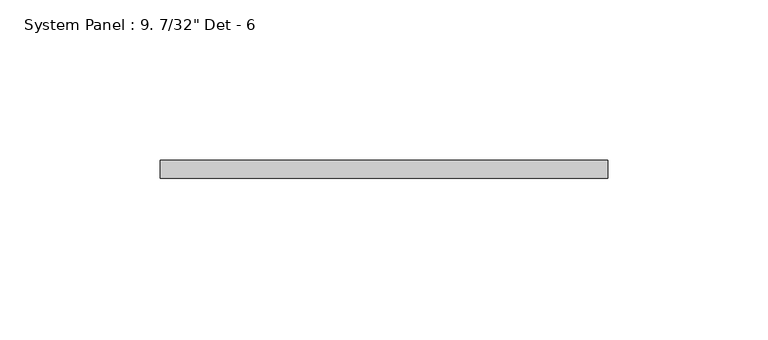
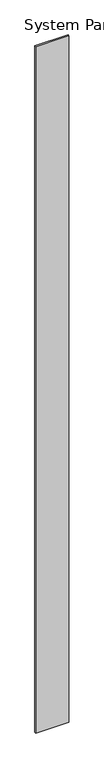
"""IFC4 building model written with IfcOpenShell, lengths in millimetres: plate geometry."""

import ifcopenshell
import ifcopenshell.guid

model = None  # the IFC model being written
_history = None  # IfcOwnerHistory: only IFC2X3 demands one
_inside = {}  # id of a spatial element -> (the spatial element, [elements in it])
_under = {}  # id of a project, library or spatial element -> (it, [spatial elements below it])
_declared = {}  # id of a project -> (the project, [libraries it declares])
_typed = {}  # id of a type object -> (the type object, [elements of that type])
_made_of = {}  # id of a material, layer set ... -> (it, [elements and type objects made of it])


def new_model(schema):
    """Start an empty IFC model of exactly this schema.

    Asked for "IFC4X3", IfcOpenShell would pick the latest addendum, in which some entities
    have other attributes; the version numbers below select the first issue.
    IFC2X3 requires an IfcOwnerHistory on every rooted entity: one is made here for all.
    """
    global model, _history
    if schema == "IFC4X3":
        model = ifcopenshell.file(schema_version=(4, 3, 0, 0))
    else:
        model = ifcopenshell.file(schema=schema)
    _inside.clear()
    _under.clear()
    _declared.clear()
    _typed.clear()
    _made_of.clear()
    _history = None
    if model.schema == "IFC2X3":
        org = make("IfcOrganization", Name="unknown")
        user = make(
            "IfcPersonAndOrganization",
            ThePerson=make("IfcPerson", FamilyName="unknown"),
            TheOrganization=org,
        )
        app = make(
            "IfcApplication",
            ApplicationDeveloper=org,
            Version="unknown",
            ApplicationFullName="unknown",
            ApplicationIdentifier="unknown",
        )
        _history = make(
            "IfcOwnerHistory",
            OwningUser=user,
            OwningApplication=app,
            ChangeAction="ADDED",
            CreationDate=0,
        )
    return model


def make(cls, **values):
    """One entity of the class cls with the attributes given. An attribute that is None is left unset."""
    return model.create_entity(
        cls, **{name: value for name, value in values.items() if value is not None}
    )


def rooted(cls, **values):
    """An entity with a GlobalId (a new one), such as an element, a storey or a relation."""
    return make(cls, GlobalId=ifcopenshell.guid.new(), OwnerHistory=_history, **values)


def si_unit(unit_type, name, prefix=None):
    """IfcSIUnit, for example si_unit("LENGTHUNIT", "METRE", prefix="MILLI")."""
    return make("IfcSIUnit", UnitType=unit_type, Prefix=prefix, Name=name)


def assignment(units):
    """IfcUnitAssignment: the units of a project."""
    return None if units is None else make("IfcUnitAssignment", Units=units)


def point(xyz):
    """IfcCartesianPoint."""
    return None if xyz is None else make("IfcCartesianPoint", Coordinates=xyz)


def direction(xyz):
    """IfcDirection."""
    return None if xyz is None else make("IfcDirection", DirectionRatios=xyz)


def frame(location, z_axis=None, x_axis=None):
    """IfcAxis2Placement3D, a coordinate frame: its origin and axes. An axis left out is left unset."""
    return make(
        "IfcAxis2Placement3D",
        Location=point(location),
        Axis=direction(z_axis),
        RefDirection=direction(x_axis),
    )


def origin():
    """The frame at (0, 0, 0) with its axes left unset."""
    return frame((0.0, 0.0, 0.0))


def origin_with_axes():
    """The frame at (0, 0, 0) with the z axis (0, 0, 1) and the x axis (1, 0, 0) written out."""
    return frame((0.0, 0.0, 0.0), z_axis=(0.0, 0.0, 1.0), x_axis=(1.0, 0.0, 0.0))


def place(relative_to, where):
    """IfcLocalPlacement: puts the frame where relative to a parent placement (None: the world)."""
    return make(
        "IfcLocalPlacement", PlacementRelTo=relative_to, RelativePlacement=where
    )


def context(
    kind, dimensions, precision=None, world=None, true_north=None, identifier=None
):
    """IfcGeometricRepresentationContext, for example the 3D "Model" context."""
    return make(
        "IfcGeometricRepresentationContext",
        ContextIdentifier=identifier,
        ContextType=kind,
        CoordinateSpaceDimension=dimensions,
        Precision=precision,
        WorldCoordinateSystem=world,
        TrueNorth=true_north,
    )


def project(units=None, contexts=None):
    """IfcProject with its units and contexts."""
    return rooted(
        "IfcProject",
        Name="project",
        RepresentationContexts=contexts,
        UnitsInContext=assignment(units),
    )


def spatial(cls, under=None, at=None, **own):
    """A site, building, storey or space (cls), placed at a placement, below another one or the project."""
    s = rooted(cls, ObjectPlacement=at, **own)
    if under is not None:
        _under.setdefault(under.id(), (under, []))[1].append(s)
    return s


def polyline(points):
    """IfcPolyline through the points."""
    return make("IfcPolyline", Points=[point(p) for p in points])


def outline(outer, holes=None, kind="AREA"):
    """IfcArbitraryClosedProfileDef: a profile drawn as a closed curve; with holes, ...WithVoids."""
    if holes is None:
        return make("IfcArbitraryClosedProfileDef", ProfileType=kind, OuterCurve=outer)
    return make(
        "IfcArbitraryProfileDefWithVoids",
        ProfileType=kind,
        OuterCurve=outer,
        InnerCurves=holes,
    )


def extrude(swept, where, along, depth):
    """IfcExtrudedAreaSolid: the profile swept, set in the frame where, extruded along a direction by depth."""
    return make(
        "IfcExtrudedAreaSolid",
        SweptArea=swept,
        Position=where,
        ExtrudedDirection=direction(along),
        Depth=depth,
    )


def shape(context_of_items, identifier, shape_type, items):
    """IfcShapeRepresentation: the items that make up one representation, for example the "Body"."""
    return make(
        "IfcShapeRepresentation",
        ContextOfItems=context_of_items,
        RepresentationIdentifier=identifier,
        RepresentationType=shape_type,
        Items=items,
    )


def source(mapping_origin, context_of_items, identifier, shape_type, items):
    """IfcRepresentationMap: a shape defined once, which mapped items show again and again."""
    return make(
        "IfcRepresentationMap",
        MappingOrigin=mapping_origin,
        MappedRepresentation=shape(context_of_items, identifier, shape_type, items),
    )


def transform(
    local_origin,
    x_axis=None,
    y_axis=None,
    z_axis=None,
    scale=None,
    scale2=None,
    scale3=None,
    uniform=True,
):
    """IfcCartesianTransformationOperator3D, or its non-uniform kind. x_axis, y_axis, z_axis: its Axis1, 2, 3."""
    if uniform:
        return make(
            "IfcCartesianTransformationOperator3D",
            Axis1=direction(x_axis),
            Axis2=direction(y_axis),
            LocalOrigin=point(local_origin),
            Scale=scale,
            Axis3=direction(z_axis),
        )
    return make(
        "IfcCartesianTransformationOperator3DnonUniform",
        Axis1=direction(x_axis),
        Axis2=direction(y_axis),
        LocalOrigin=point(local_origin),
        Scale=scale,
        Axis3=direction(z_axis),
        Scale2=scale2,
        Scale3=scale3,
    )


def mapped(mapping_source, mapping_target):
    """IfcMappedItem: shows the shape of a source again, moved by a transform."""
    return make(
        "IfcMappedItem", MappingSource=mapping_source, MappingTarget=mapping_target
    )


def made_of(thing, what):
    """Note that an element or type object is made of a material, layer set ...; save() writes the relation."""
    if what is not None:
        _made_of.setdefault(what.id(), (what, []))[1].append(thing)
    return thing


def element(
    cls,
    number,
    at=None,
    inside=None,
    cuts=None,
    type_object=None,
    material=None,
    context=None,
    identifier="Body",
    shape_type=None,
    held_by="IfcProductDefinitionShape",
    body=None,
    shapes=None,
    **own,
):
    """One element of the class cls, such as IfcWall. Its Tag is "e" and its number.

    at: its placement. inside: the storey or other place that contains it. cuts: it is an
    opening in that element (IfcRelVoidsElement). A single representation is given by context,
    identifier, shape_type and body (its items); several are given by shapes. held_by: the class
    of the entity that holds the representations. save() writes the other relations.
    """
    e = rooted(cls, Tag="e%d" % number, ObjectPlacement=at, **own)
    if body is not None:
        shapes = [shape(context, identifier, shape_type, body)]
    if shapes is not None:
        e.Representation = make(held_by, Representations=shapes)
    if inside is not None:
        _inside.setdefault(inside.id(), (inside, []))[1].append(e)
    if cuts is not None:
        rooted(
            "IfcRelVoidsElement", RelatingBuildingElement=cuts, RelatedOpeningElement=e
        )
    if type_object is not None:
        _typed.setdefault(type_object.id(), (type_object, []))[1].append(e)
    return made_of(e, material)


def aggregate(whole, parts):
    """IfcRelAggregates: a whole, such as a stair, and the parts it consists of."""
    return rooted("IfcRelAggregates", RelatingObject=whole, RelatedObjects=parts)


def save(model, path):
    """Write the relations noted so far, then the file.

    IfcRelAggregates (storeys below a building ...), IfcRelContainedInSpatialStructure (elements
    in a storey), IfcRelDefinesByType, IfcRelAssociatesMaterial and IfcRelDeclares: one each for
    every whole, place, type object, material and project.
    """
    for whole, parts in _under.values():
        aggregate(whole, parts)
    for where, things in _inside.values():
        rooted(
            "IfcRelContainedInSpatialStructure",
            RelatedElements=things,
            RelatingStructure=where,
        )
    for kind, things in _typed.values():
        rooted("IfcRelDefinesByType", RelatedObjects=things, RelatingType=kind)
    for what, things in _made_of.values():
        rooted("IfcRelAssociatesMaterial", RelatedObjects=things, RelatingMaterial=what)
    for by, libraries in _declared.values():
        rooted("IfcRelDeclares", RelatingContext=by, RelatedDefinitions=libraries)
    model.write(path)


def plate_e274d96d(model_context):
    return source(origin(), model_context, "Body", "SweptSolid", [
        extrude(outline(polyline([(69.85, 0.0), (-69.85, 0.0), (-69.85, 5.55625), (69.85, 5.55625), (69.85, 0.0)])), origin_with_axes(), (0.0, 0.0, 1.0), 3048.0),
    ])


if __name__ == "__main__":
    model = new_model("IFC4")
    model_context = context("Model", 3, world=origin())
    ifc_project = project(units=[si_unit("LENGTHUNIT", "METRE", prefix="MILLI")], contexts=[model_context])
    site = spatial("IfcSite", under=ifc_project)
    building = spatial("IfcBuilding", under=site)
    placement = place(None, origin())
    plate_shape = plate_e274d96d(model_context)
    element("IfcPlate", 1, ObjectType="System Panel : 9. 7/32\" Det - 6", at=placement, inside=building, context=model_context, shape_type="MappedRepresentation", body=[
        mapped(plate_shape, transform((0.0, 0.0, 0.0), x_axis=(1.0, 0.0, 0.0), y_axis=(0.0, 1.0, 0.0), z_axis=(0.0, 0.0, 1.0))),
    ])
    save(model, "model.ifc")
